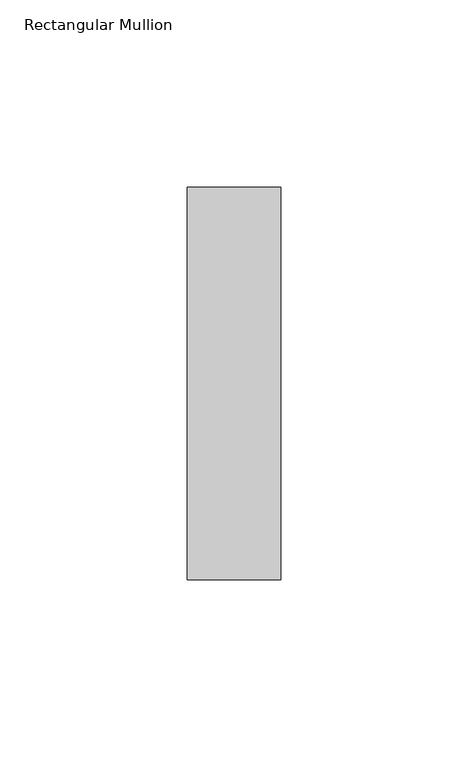
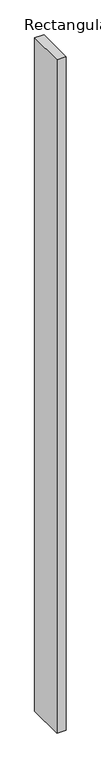
"""IFC4 building model written with IfcOpenShell, lengths in millimetres: member geometry, Rectangular Mullion."""

from ifc_helpers import new_model, si_unit, frame, origin, place, context, project, spatial, polyline, outline, extrude, source, transform, mapped, element, save


def rectangular_mullion_8dfd82b2(model_context):
    return source(origin(), model_context, "Body", "SweptSolid", [
        extrude(outline(polyline([(-25.0, -40.0), (-25.0, 65.0), (0.0, 65.0), (0.0, -40.0), (-25.0, -40.0)])), frame((0.0, 0.0, -1950.0), z_axis=(0.0, 0.0, 1.0), x_axis=(1.0, 0.0, 0.0)), (0.0, 0.0, 1.0), 1950.0),
    ])


if __name__ == "__main__":
    model = new_model("IFC4")
    model_context = context("Model", 3, world=origin())
    ifc_project = project(units=[si_unit("LENGTHUNIT", "METRE", prefix="MILLI")], contexts=[model_context])
    site = spatial("IfcSite", under=ifc_project)
    building = spatial("IfcBuilding", under=site)
    placement = place(None, origin())
    rectangular_mullion_shape = rectangular_mullion_8dfd82b2(model_context)
    element("IfcMember", 1, ObjectType="Rectangular Mullion", at=placement, inside=building, context=model_context, shape_type="MappedRepresentation", body=[
        mapped(rectangular_mullion_shape, transform((0.0, 0.0, 0.0), x_axis=(1.0, 0.0, 0.0), y_axis=(0.0, 1.0, 0.0), z_axis=(0.0, 0.0, 1.0))),
    ])
    save(model, "model.ifc")
